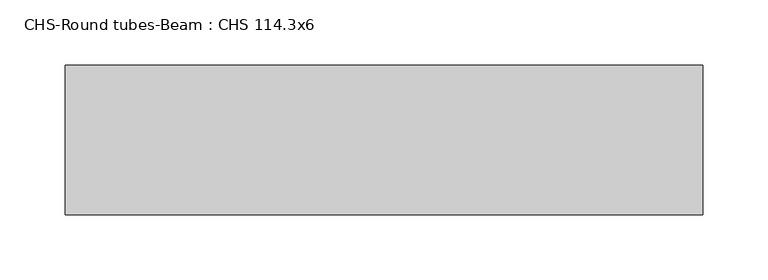
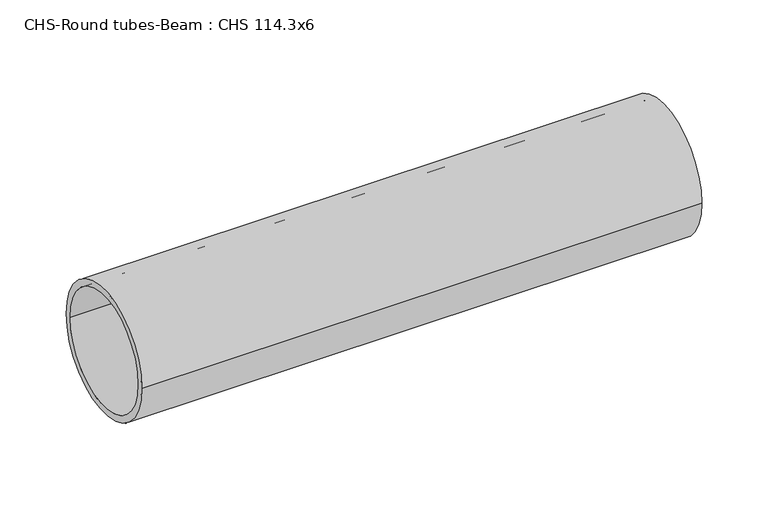
"""IFC4 building model written with IfcOpenShell, lengths in millimetres: beam geometry, CHS-Round tubes-Beam : CHS 114.3x6."""

import ifcopenshell
import ifcopenshell.guid

model = None  # the IFC model being written
_history = None  # IfcOwnerHistory: only IFC2X3 demands one
_inside = {}  # id of a spatial element -> (the spatial element, [elements in it])
_under = {}  # id of a project, library or spatial element -> (it, [spatial elements below it])
_declared = {}  # id of a project -> (the project, [libraries it declares])
_typed = {}  # id of a type object -> (the type object, [elements of that type])
_made_of = {}  # id of a material, layer set ... -> (it, [elements and type objects made of it])


def new_model(schema):
    """Start an empty IFC model of exactly this schema.

    Asked for "IFC4X3", IfcOpenShell would pick the latest addendum, in which some entities
    have other attributes; the version numbers below select the first issue.
    IFC2X3 requires an IfcOwnerHistory on every rooted entity: one is made here for all.
    """
    global model, _history
    if schema == "IFC4X3":
        model = ifcopenshell.file(schema_version=(4, 3, 0, 0))
    else:
        model = ifcopenshell.file(schema=schema)
    _inside.clear()
    _under.clear()
    _declared.clear()
    _typed.clear()
    _made_of.clear()
    _history = None
    if model.schema == "IFC2X3":
        org = make("IfcOrganization", Name="unknown")
        user = make(
            "IfcPersonAndOrganization",
            ThePerson=make("IfcPerson", FamilyName="unknown"),
            TheOrganization=org,
        )
        app = make(
            "IfcApplication",
            ApplicationDeveloper=org,
            Version="unknown",
            ApplicationFullName="unknown",
            ApplicationIdentifier="unknown",
        )
        _history = make(
            "IfcOwnerHistory",
            OwningUser=user,
            OwningApplication=app,
            ChangeAction="ADDED",
            CreationDate=0,
        )
    return model


def make(cls, **values):
    """One entity of the class cls with the attributes given. An attribute that is None is left unset."""
    return model.create_entity(
        cls, **{name: value for name, value in values.items() if value is not None}
    )


def rooted(cls, **values):
    """An entity with a GlobalId (a new one), such as an element, a storey or a relation."""
    return make(cls, GlobalId=ifcopenshell.guid.new(), OwnerHistory=_history, **values)


def si_unit(unit_type, name, prefix=None):
    """IfcSIUnit, for example si_unit("LENGTHUNIT", "METRE", prefix="MILLI")."""
    return make("IfcSIUnit", UnitType=unit_type, Prefix=prefix, Name=name)


def assignment(units):
    """IfcUnitAssignment: the units of a project."""
    return None if units is None else make("IfcUnitAssignment", Units=units)


def point(xyz):
    """IfcCartesianPoint."""
    return None if xyz is None else make("IfcCartesianPoint", Coordinates=xyz)


def direction(xyz):
    """IfcDirection."""
    return None if xyz is None else make("IfcDirection", DirectionRatios=xyz)


def frame(location, z_axis=None, x_axis=None):
    """IfcAxis2Placement3D, a coordinate frame: its origin and axes. An axis left out is left unset."""
    return make(
        "IfcAxis2Placement3D",
        Location=point(location),
        Axis=direction(z_axis),
        RefDirection=direction(x_axis),
    )


def frame_2d(location, x_axis=None):
    """IfcAxis2Placement2D, a coordinate frame in the plane: its origin and x axis."""
    return make(
        "IfcAxis2Placement2D", Location=point(location), RefDirection=direction(x_axis)
    )


def origin():
    """The frame at (0, 0, 0) with its axes left unset."""
    return frame((0.0, 0.0, 0.0))


def origin_2d():
    """The frame at (0, 0) in the plane with its x axis left unset."""
    return frame_2d((0.0, 0.0))


def place(relative_to, where):
    """IfcLocalPlacement: puts the frame where relative to a parent placement (None: the world)."""
    return make(
        "IfcLocalPlacement", PlacementRelTo=relative_to, RelativePlacement=where
    )


def context(
    kind, dimensions, precision=None, world=None, true_north=None, identifier=None
):
    """IfcGeometricRepresentationContext, for example the 3D "Model" context."""
    return make(
        "IfcGeometricRepresentationContext",
        ContextIdentifier=identifier,
        ContextType=kind,
        CoordinateSpaceDimension=dimensions,
        Precision=precision,
        WorldCoordinateSystem=world,
        TrueNorth=true_north,
    )


def project(units=None, contexts=None):
    """IfcProject with its units and contexts."""
    return rooted(
        "IfcProject",
        Name="project",
        RepresentationContexts=contexts,
        UnitsInContext=assignment(units),
    )


def spatial(cls, under=None, at=None, **own):
    """A site, building, storey or space (cls), placed at a placement, below another one or the project."""
    s = rooted(cls, ObjectPlacement=at, **own)
    if under is not None:
        _under.setdefault(under.id(), (under, []))[1].append(s)
    return s


def circle_curve(where, radius):
    """IfcCircle in the frame where."""
    return make("IfcCircle", Position=where, Radius=radius)


def trimmed(basis, trim1, trim2, sense, master):
    """IfcTrimmedCurve: the piece of a basis curve between two trims."""
    return make(
        "IfcTrimmedCurve",
        BasisCurve=basis,
        Trim1=trim1,
        Trim2=trim2,
        SenseAgreement=sense,
        MasterRepresentation=master,
    )


def segment(curve, same_sense, transition):
    """IfcCompositeCurveSegment."""
    return make(
        "IfcCompositeCurveSegment",
        Transition=transition,
        SameSense=same_sense,
        ParentCurve=curve,
    )


def composite_curve(segments, self_intersect=None):
    """IfcCompositeCurve: segments joined end to end."""
    return make("IfcCompositeCurve", Segments=segments, SelfIntersect=self_intersect)


def outline(outer, holes=None, kind="AREA"):
    """IfcArbitraryClosedProfileDef: a profile drawn as a closed curve; with holes, ...WithVoids."""
    if holes is None:
        return make("IfcArbitraryClosedProfileDef", ProfileType=kind, OuterCurve=outer)
    return make(
        "IfcArbitraryProfileDefWithVoids",
        ProfileType=kind,
        OuterCurve=outer,
        InnerCurves=holes,
    )


def extrude(swept, where, along, depth):
    """IfcExtrudedAreaSolid: the profile swept, set in the frame where, extruded along a direction by depth."""
    return make(
        "IfcExtrudedAreaSolid",
        SweptArea=swept,
        Position=where,
        ExtrudedDirection=direction(along),
        Depth=depth,
    )


def shape(context_of_items, identifier, shape_type, items):
    """IfcShapeRepresentation: the items that make up one representation, for example the "Body"."""
    return make(
        "IfcShapeRepresentation",
        ContextOfItems=context_of_items,
        RepresentationIdentifier=identifier,
        RepresentationType=shape_type,
        Items=items,
    )


def source(mapping_origin, context_of_items, identifier, shape_type, items):
    """IfcRepresentationMap: a shape defined once, which mapped items show again and again."""
    return make(
        "IfcRepresentationMap",
        MappingOrigin=mapping_origin,
        MappedRepresentation=shape(context_of_items, identifier, shape_type, items),
    )


def transform(
    local_origin,
    x_axis=None,
    y_axis=None,
    z_axis=None,
    scale=None,
    scale2=None,
    scale3=None,
    uniform=True,
):
    """IfcCartesianTransformationOperator3D, or its non-uniform kind. x_axis, y_axis, z_axis: its Axis1, 2, 3."""
    if uniform:
        return make(
            "IfcCartesianTransformationOperator3D",
            Axis1=direction(x_axis),
            Axis2=direction(y_axis),
            LocalOrigin=point(local_origin),
            Scale=scale,
            Axis3=direction(z_axis),
        )
    return make(
        "IfcCartesianTransformationOperator3DnonUniform",
        Axis1=direction(x_axis),
        Axis2=direction(y_axis),
        LocalOrigin=point(local_origin),
        Scale=scale,
        Axis3=direction(z_axis),
        Scale2=scale2,
        Scale3=scale3,
    )


def mapped(mapping_source, mapping_target):
    """IfcMappedItem: shows the shape of a source again, moved by a transform."""
    return make(
        "IfcMappedItem", MappingSource=mapping_source, MappingTarget=mapping_target
    )


def made_of(thing, what):
    """Note that an element or type object is made of a material, layer set ...; save() writes the relation."""
    if what is not None:
        _made_of.setdefault(what.id(), (what, []))[1].append(thing)
    return thing


def element(
    cls,
    number,
    at=None,
    inside=None,
    cuts=None,
    type_object=None,
    material=None,
    context=None,
    identifier="Body",
    shape_type=None,
    held_by="IfcProductDefinitionShape",
    body=None,
    shapes=None,
    **own,
):
    """One element of the class cls, such as IfcWall. Its Tag is "e" and its number.

    at: its placement. inside: the storey or other place that contains it. cuts: it is an
    opening in that element (IfcRelVoidsElement). A single representation is given by context,
    identifier, shape_type and body (its items); several are given by shapes. held_by: the class
    of the entity that holds the representations. save() writes the other relations.
    """
    e = rooted(cls, Tag="e%d" % number, ObjectPlacement=at, **own)
    if body is not None:
        shapes = [shape(context, identifier, shape_type, body)]
    if shapes is not None:
        e.Representation = make(held_by, Representations=shapes)
    if inside is not None:
        _inside.setdefault(inside.id(), (inside, []))[1].append(e)
    if cuts is not None:
        rooted(
            "IfcRelVoidsElement", RelatingBuildingElement=cuts, RelatedOpeningElement=e
        )
    if type_object is not None:
        _typed.setdefault(type_object.id(), (type_object, []))[1].append(e)
    return made_of(e, material)


def aggregate(whole, parts):
    """IfcRelAggregates: a whole, such as a stair, and the parts it consists of."""
    return rooted("IfcRelAggregates", RelatingObject=whole, RelatedObjects=parts)


def save(model, path):
    """Write the relations noted so far, then the file.

    IfcRelAggregates (storeys below a building ...), IfcRelContainedInSpatialStructure (elements
    in a storey), IfcRelDefinesByType, IfcRelAssociatesMaterial and IfcRelDeclares: one each for
    every whole, place, type object, material and project.
    """
    for whole, parts in _under.values():
        aggregate(whole, parts)
    for where, things in _inside.values():
        rooted(
            "IfcRelContainedInSpatialStructure",
            RelatedElements=things,
            RelatingStructure=where,
        )
    for kind, things in _typed.values():
        rooted("IfcRelDefinesByType", RelatedObjects=things, RelatingType=kind)
    for what, things in _made_of.values():
        rooted("IfcRelAssociatesMaterial", RelatedObjects=things, RelatingMaterial=what)
    for by, libraries in _declared.values():
        rooted("IfcRelDeclares", RelatingContext=by, RelatedDefinitions=libraries)
    model.write(path)


def chs_round_tubes_beam_chs_114_3x6_1cf23bdb(model_context):
    return source(origin(), model_context, "Body", "SweptSolid", [
        extrude(outline(composite_curve([segment(trimmed(circle_curve(origin_2d(), 57.15), [point((57.15, 0.0))], [point((-57.15, 0.0))], False, "CARTESIAN"), True, "CONTINUOUS"), segment(trimmed(circle_curve(origin_2d(), 57.15), [point((-57.15, 0.0))], [point((57.15, 0.0))], False, "CARTESIAN"), True, "CONTINUOUS")], self_intersect=False), holes=[composite_curve([segment(trimmed(circle_curve(origin_2d(), 51.15), [point((51.15, 0.0))], [point((-51.15, 0.0))], True, "CARTESIAN"), True, "CONTINUOUS"), segment(trimmed(circle_curve(origin_2d(), 51.15), [point((-51.15, 0.0))], [point((51.15, 0.0))], True, "CARTESIAN"), True, "CONTINUOUS")], self_intersect=False)]), frame((-218.2386111, 0.0, 0.0), z_axis=(1.0, 0.0, 0.0), x_axis=(0.0, 1.0, 0.0)), (0.0, 0.0, 1.0), 488.131477),
    ])


if __name__ == "__main__":
    model = new_model("IFC4")
    model_context = context("Model", 3, world=origin())
    ifc_project = project(units=[si_unit("LENGTHUNIT", "METRE", prefix="MILLI")], contexts=[model_context])
    site = spatial("IfcSite", under=ifc_project)
    building = spatial("IfcBuilding", under=site)
    placement = place(None, origin())
    chs_round_tubes_beam_chs_114_3x6_shape = chs_round_tubes_beam_chs_114_3x6_1cf23bdb(model_context)
    element("IfcBeam", 1, ObjectType="CHS-Round tubes-Beam : CHS 114.3x6", at=placement, inside=building, context=model_context, shape_type="MappedRepresentation", body=[
        mapped(chs_round_tubes_beam_chs_114_3x6_shape, transform((0.0, 0.0, 0.0), x_axis=(1.0, 0.0, 0.0), y_axis=(0.0, 1.0, 0.0), z_axis=(0.0, 0.0, 1.0))),
    ])
    save(model, "model.ifc")
